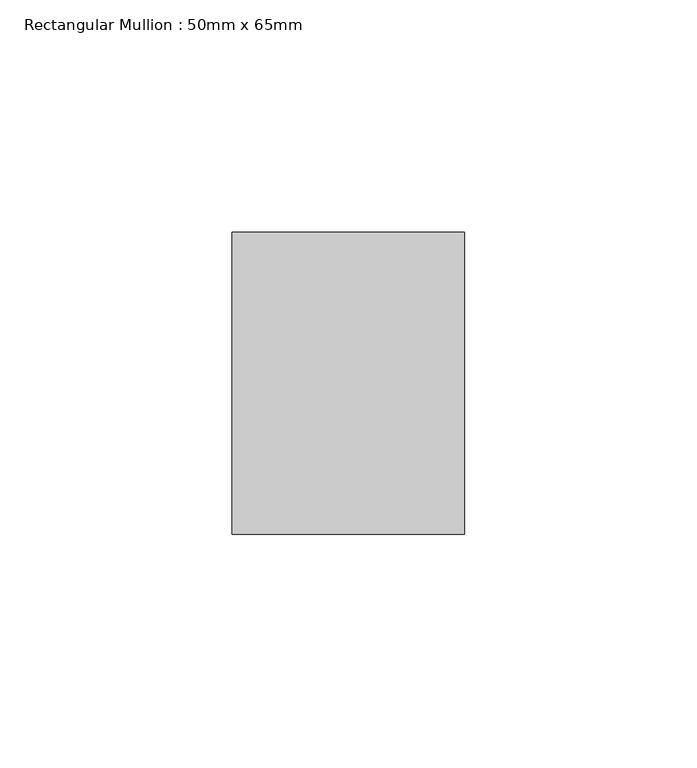
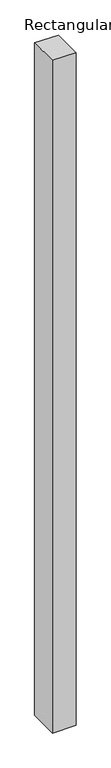
"""IFC4 building model written with IfcOpenShell, lengths in millimetres: member geometry, Rectangular Mullion : 50mm x 65mm."""

from ifc_helpers import new_model, si_unit, origin, place, context, project, spatial, faceted_brep, source, transform, mapped, element, save


def rectangular_mullion_50mm_x_65mm_b930900c(model_context):
    return source(origin(), model_context, "Body", "Brep", [
        faceted_brep([(-25.0, 32.5, -0.1073308), (25.0, 32.5, -0.1073314), (25.0, 32.5, -1499.9557749), (-25.0, 32.5, -1499.9557751), (-25.0, -32.5, 0.1073314), (-25.0, -32.5, -1500.0444488), (25.0, -32.5, 0.1073308), (25.0, -32.5, -1500.0444486)], [[[0, 1, 2, 3]], [[4, 0, 3, 5]], [[6, 4, 5, 7]], [[1, 6, 7, 2]], [[1, 0, 4, 6]], [[2, 7, 5, 3]]]),
    ])


if __name__ == "__main__":
    model = new_model("IFC4")
    model_context = context("Model", 3, world=origin())
    ifc_project = project(units=[si_unit("LENGTHUNIT", "METRE", prefix="MILLI")], contexts=[model_context])
    site = spatial("IfcSite", under=ifc_project)
    building = spatial("IfcBuilding", under=site)
    placement = place(None, origin())
    rectangular_mullion_50mm_x_65mm_shape = rectangular_mullion_50mm_x_65mm_b930900c(model_context)
    element("IfcMember", 1, ObjectType="Rectangular Mullion : 50mm x 65mm", at=placement, inside=building, context=model_context, shape_type="MappedRepresentation", body=[
        mapped(rectangular_mullion_50mm_x_65mm_shape, transform((0.0, 0.0, 0.0), x_axis=(1.0, 0.0, 0.0), y_axis=(0.0, 1.0, 0.0), z_axis=(0.0, 0.0, 1.0))),
    ])
    save(model, "model.ifc")
